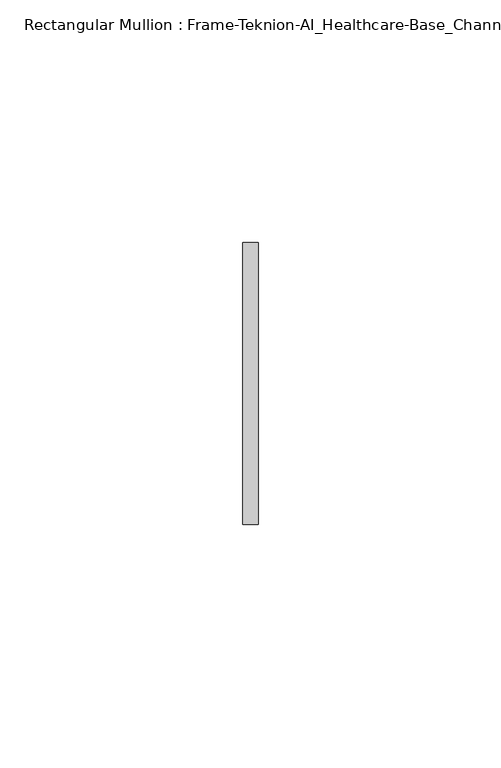
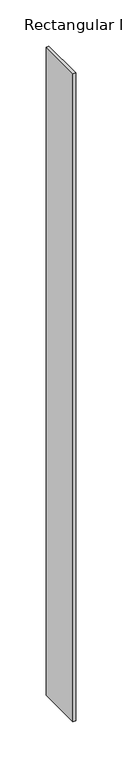
"""IFC4 building model written with IfcOpenShell, lengths in millimetres: member geometry, Rectangular Mullion : Frame-Teknion-AI_Healthcare-Base_Channel."""

import ifcopenshell
import ifcopenshell.guid

model = None  # the IFC model being written
_history = None  # IfcOwnerHistory: only IFC2X3 demands one
_inside = {}  # id of a spatial element -> (the spatial element, [elements in it])
_under = {}  # id of a project, library or spatial element -> (it, [spatial elements below it])
_declared = {}  # id of a project -> (the project, [libraries it declares])
_typed = {}  # id of a type object -> (the type object, [elements of that type])
_made_of = {}  # id of a material, layer set ... -> (it, [elements and type objects made of it])


def new_model(schema):
    """Start an empty IFC model of exactly this schema.

    Asked for "IFC4X3", IfcOpenShell would pick the latest addendum, in which some entities
    have other attributes; the version numbers below select the first issue.
    IFC2X3 requires an IfcOwnerHistory on every rooted entity: one is made here for all.
    """
    global model, _history
    if schema == "IFC4X3":
        model = ifcopenshell.file(schema_version=(4, 3, 0, 0))
    else:
        model = ifcopenshell.file(schema=schema)
    _inside.clear()
    _under.clear()
    _declared.clear()
    _typed.clear()
    _made_of.clear()
    _history = None
    if model.schema == "IFC2X3":
        org = make("IfcOrganization", Name="unknown")
        user = make(
            "IfcPersonAndOrganization",
            ThePerson=make("IfcPerson", FamilyName="unknown"),
            TheOrganization=org,
        )
        app = make(
            "IfcApplication",
            ApplicationDeveloper=org,
            Version="unknown",
            ApplicationFullName="unknown",
            ApplicationIdentifier="unknown",
        )
        _history = make(
            "IfcOwnerHistory",
            OwningUser=user,
            OwningApplication=app,
            ChangeAction="ADDED",
            CreationDate=0,
        )
    return model


def make(cls, **values):
    """One entity of the class cls with the attributes given. An attribute that is None is left unset."""
    return model.create_entity(
        cls, **{name: value for name, value in values.items() if value is not None}
    )


def rooted(cls, **values):
    """An entity with a GlobalId (a new one), such as an element, a storey or a relation."""
    return make(cls, GlobalId=ifcopenshell.guid.new(), OwnerHistory=_history, **values)


def si_unit(unit_type, name, prefix=None):
    """IfcSIUnit, for example si_unit("LENGTHUNIT", "METRE", prefix="MILLI")."""
    return make("IfcSIUnit", UnitType=unit_type, Prefix=prefix, Name=name)


def assignment(units):
    """IfcUnitAssignment: the units of a project."""
    return None if units is None else make("IfcUnitAssignment", Units=units)


def point(xyz):
    """IfcCartesianPoint."""
    return None if xyz is None else make("IfcCartesianPoint", Coordinates=xyz)


def direction(xyz):
    """IfcDirection."""
    return None if xyz is None else make("IfcDirection", DirectionRatios=xyz)


def frame(location, z_axis=None, x_axis=None):
    """IfcAxis2Placement3D, a coordinate frame: its origin and axes. An axis left out is left unset."""
    return make(
        "IfcAxis2Placement3D",
        Location=point(location),
        Axis=direction(z_axis),
        RefDirection=direction(x_axis),
    )


def origin():
    """The frame at (0, 0, 0) with its axes left unset."""
    return frame((0.0, 0.0, 0.0))


def place(relative_to, where):
    """IfcLocalPlacement: puts the frame where relative to a parent placement (None: the world)."""
    return make(
        "IfcLocalPlacement", PlacementRelTo=relative_to, RelativePlacement=where
    )


def context(
    kind, dimensions, precision=None, world=None, true_north=None, identifier=None
):
    """IfcGeometricRepresentationContext, for example the 3D "Model" context."""
    return make(
        "IfcGeometricRepresentationContext",
        ContextIdentifier=identifier,
        ContextType=kind,
        CoordinateSpaceDimension=dimensions,
        Precision=precision,
        WorldCoordinateSystem=world,
        TrueNorth=true_north,
    )


def project(units=None, contexts=None):
    """IfcProject with its units and contexts."""
    return rooted(
        "IfcProject",
        Name="project",
        RepresentationContexts=contexts,
        UnitsInContext=assignment(units),
    )


def spatial(cls, under=None, at=None, **own):
    """A site, building, storey or space (cls), placed at a placement, below another one or the project."""
    s = rooted(cls, ObjectPlacement=at, **own)
    if under is not None:
        _under.setdefault(under.id(), (under, []))[1].append(s)
    return s


def polyline(points):
    """IfcPolyline through the points."""
    return make("IfcPolyline", Points=[point(p) for p in points])


def outline(outer, holes=None, kind="AREA"):
    """IfcArbitraryClosedProfileDef: a profile drawn as a closed curve; with holes, ...WithVoids."""
    if holes is None:
        return make("IfcArbitraryClosedProfileDef", ProfileType=kind, OuterCurve=outer)
    return make(
        "IfcArbitraryProfileDefWithVoids",
        ProfileType=kind,
        OuterCurve=outer,
        InnerCurves=holes,
    )


def extrude(swept, where, along, depth):
    """IfcExtrudedAreaSolid: the profile swept, set in the frame where, extruded along a direction by depth."""
    return make(
        "IfcExtrudedAreaSolid",
        SweptArea=swept,
        Position=where,
        ExtrudedDirection=direction(along),
        Depth=depth,
    )


def shape(context_of_items, identifier, shape_type, items):
    """IfcShapeRepresentation: the items that make up one representation, for example the "Body"."""
    return make(
        "IfcShapeRepresentation",
        ContextOfItems=context_of_items,
        RepresentationIdentifier=identifier,
        RepresentationType=shape_type,
        Items=items,
    )


def source(mapping_origin, context_of_items, identifier, shape_type, items):
    """IfcRepresentationMap: a shape defined once, which mapped items show again and again."""
    return make(
        "IfcRepresentationMap",
        MappingOrigin=mapping_origin,
        MappedRepresentation=shape(context_of_items, identifier, shape_type, items),
    )


def transform(
    local_origin,
    x_axis=None,
    y_axis=None,
    z_axis=None,
    scale=None,
    scale2=None,
    scale3=None,
    uniform=True,
):
    """IfcCartesianTransformationOperator3D, or its non-uniform kind. x_axis, y_axis, z_axis: its Axis1, 2, 3."""
    if uniform:
        return make(
            "IfcCartesianTransformationOperator3D",
            Axis1=direction(x_axis),
            Axis2=direction(y_axis),
            LocalOrigin=point(local_origin),
            Scale=scale,
            Axis3=direction(z_axis),
        )
    return make(
        "IfcCartesianTransformationOperator3DnonUniform",
        Axis1=direction(x_axis),
        Axis2=direction(y_axis),
        LocalOrigin=point(local_origin),
        Scale=scale,
        Axis3=direction(z_axis),
        Scale2=scale2,
        Scale3=scale3,
    )


def mapped(mapping_source, mapping_target):
    """IfcMappedItem: shows the shape of a source again, moved by a transform."""
    return make(
        "IfcMappedItem", MappingSource=mapping_source, MappingTarget=mapping_target
    )


def made_of(thing, what):
    """Note that an element or type object is made of a material, layer set ...; save() writes the relation."""
    if what is not None:
        _made_of.setdefault(what.id(), (what, []))[1].append(thing)
    return thing


def element(
    cls,
    number,
    at=None,
    inside=None,
    cuts=None,
    type_object=None,
    material=None,
    context=None,
    identifier="Body",
    shape_type=None,
    held_by="IfcProductDefinitionShape",
    body=None,
    shapes=None,
    **own,
):
    """One element of the class cls, such as IfcWall. Its Tag is "e" and its number.

    at: its placement. inside: the storey or other place that contains it. cuts: it is an
    opening in that element (IfcRelVoidsElement). A single representation is given by context,
    identifier, shape_type and body (its items); several are given by shapes. held_by: the class
    of the entity that holds the representations. save() writes the other relations.
    """
    e = rooted(cls, Tag="e%d" % number, ObjectPlacement=at, **own)
    if body is not None:
        shapes = [shape(context, identifier, shape_type, body)]
    if shapes is not None:
        e.Representation = make(held_by, Representations=shapes)
    if inside is not None:
        _inside.setdefault(inside.id(), (inside, []))[1].append(e)
    if cuts is not None:
        rooted(
            "IfcRelVoidsElement", RelatingBuildingElement=cuts, RelatedOpeningElement=e
        )
    if type_object is not None:
        _typed.setdefault(type_object.id(), (type_object, []))[1].append(e)
    return made_of(e, material)


def aggregate(whole, parts):
    """IfcRelAggregates: a whole, such as a stair, and the parts it consists of."""
    return rooted("IfcRelAggregates", RelatingObject=whole, RelatedObjects=parts)


def save(model, path):
    """Write the relations noted so far, then the file.

    IfcRelAggregates (storeys below a building ...), IfcRelContainedInSpatialStructure (elements
    in a storey), IfcRelDefinesByType, IfcRelAssociatesMaterial and IfcRelDeclares: one each for
    every whole, place, type object, material and project.
    """
    for whole, parts in _under.values():
        aggregate(whole, parts)
    for where, things in _inside.values():
        rooted(
            "IfcRelContainedInSpatialStructure",
            RelatedElements=things,
            RelatingStructure=where,
        )
    for kind, things in _typed.values():
        rooted("IfcRelDefinesByType", RelatedObjects=things, RelatingType=kind)
    for what, things in _made_of.values():
        rooted("IfcRelAssociatesMaterial", RelatedObjects=things, RelatingMaterial=what)
    for by, libraries in _declared.values():
        rooted("IfcRelDeclares", RelatingContext=by, RelatedDefinitions=libraries)
    model.write(path)


def rectangular_mullion_frame_teknion_ai_healthcare_base_channel_96122873(model_context):
    return source(origin(), model_context, "Body", "SweptSolid", [
        extrude(outline(polyline([(0.0, 29.0214844), (0.0, -29.0214844), (-3.175, -29.0214844), (-3.175, 29.0214844), (0.0, 29.0214844)])), frame((0.0, 0.0, -856.6071795), z_axis=(0.0, 0.0, 1.0), x_axis=(1.0, 0.0, 0.0)), (0.0, 0.0, 1.0), 856.6071795),
    ])


if __name__ == "__main__":
    model = new_model("IFC4")
    model_context = context("Model", 3, world=origin())
    ifc_project = project(units=[si_unit("LENGTHUNIT", "METRE", prefix="MILLI")], contexts=[model_context])
    site = spatial("IfcSite", under=ifc_project)
    building = spatial("IfcBuilding", under=site)
    placement = place(None, origin())
    rectangular_mullion_frame_teknion_ai_healthcare_base_channel_shape = rectangular_mullion_frame_teknion_ai_healthcare_base_channel_96122873(model_context)
    element("IfcMember", 1, ObjectType="Rectangular Mullion : Frame-Teknion-AI_Healthcare-Base_Channel", at=placement, inside=building, context=model_context, shape_type="MappedRepresentation", body=[
        mapped(rectangular_mullion_frame_teknion_ai_healthcare_base_channel_shape, transform((0.0, 0.0, 0.0), x_axis=(1.0, 0.0, 0.0), y_axis=(0.0, 1.0, 0.0), z_axis=(0.0, 0.0, 1.0))),
    ])
    save(model, "model.ifc")
